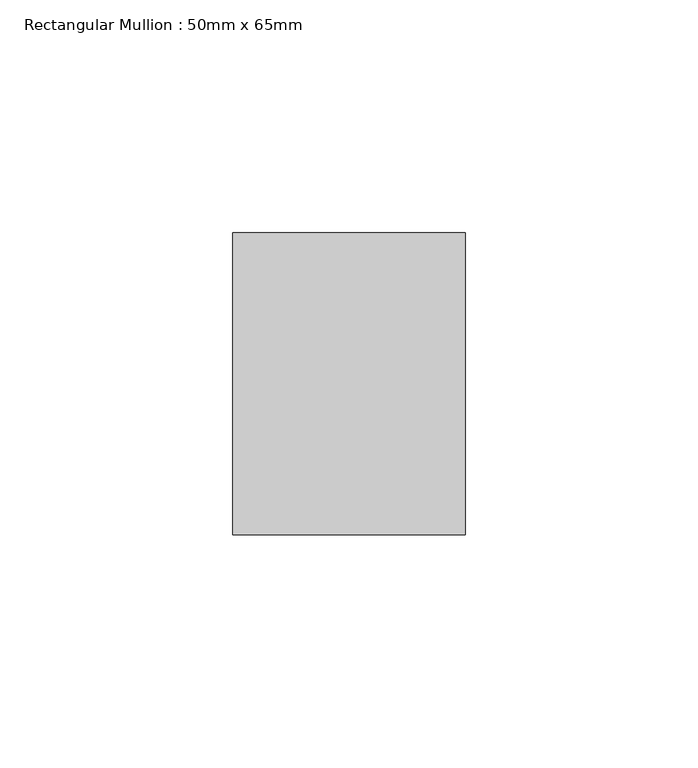
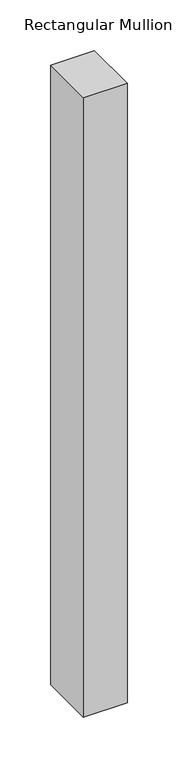
"""IFC4 building model written with IfcOpenShell, lengths in millimetres: member geometry, Rectangular Mullion : 50mm x 65mm."""

from ifc_helpers import new_model, si_unit, frame, origin, place, context, project, spatial, polyline, outline, extrude, source, transform, mapped, element, save


def rectangular_mullion_50mm_x_65mm_08d0e52b(model_context):
    return source(origin(), model_context, "Body", "SweptSolid", [
        extrude(outline(polyline([(25.0, 32.5), (25.0, -32.5), (-25.0, -32.5), (-25.0, 32.5), (25.0, 32.5)])), frame((0.0, 0.0, -748.3577178), z_axis=(0.0, 0.0, 1.0), x_axis=(1.0, 0.0, 0.0)), (0.0, 0.0, 1.0), 748.3577178),
    ])


if __name__ == "__main__":
    model = new_model("IFC4")
    model_context = context("Model", 3, world=origin())
    ifc_project = project(units=[si_unit("LENGTHUNIT", "METRE", prefix="MILLI")], contexts=[model_context])
    site = spatial("IfcSite", under=ifc_project)
    building = spatial("IfcBuilding", under=site)
    placement = place(None, origin())
    rectangular_mullion_50mm_x_65mm_shape = rectangular_mullion_50mm_x_65mm_08d0e52b(model_context)
    element("IfcMember", 1, ObjectType="Rectangular Mullion : 50mm x 65mm", at=placement, inside=building, context=model_context, shape_type="MappedRepresentation", body=[
        mapped(rectangular_mullion_50mm_x_65mm_shape, transform((0.0, 0.0, 0.0), x_axis=(1.0, 0.0, 0.0), y_axis=(0.0, 1.0, 0.0), z_axis=(0.0, 0.0, 1.0))),
    ])
    save(model, "model.ifc")
